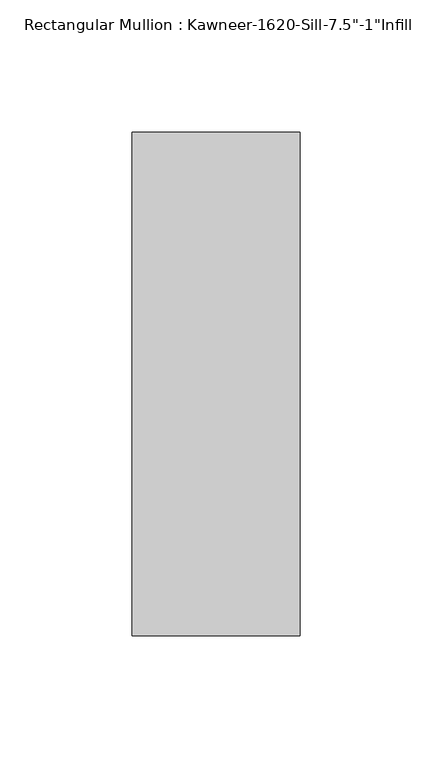
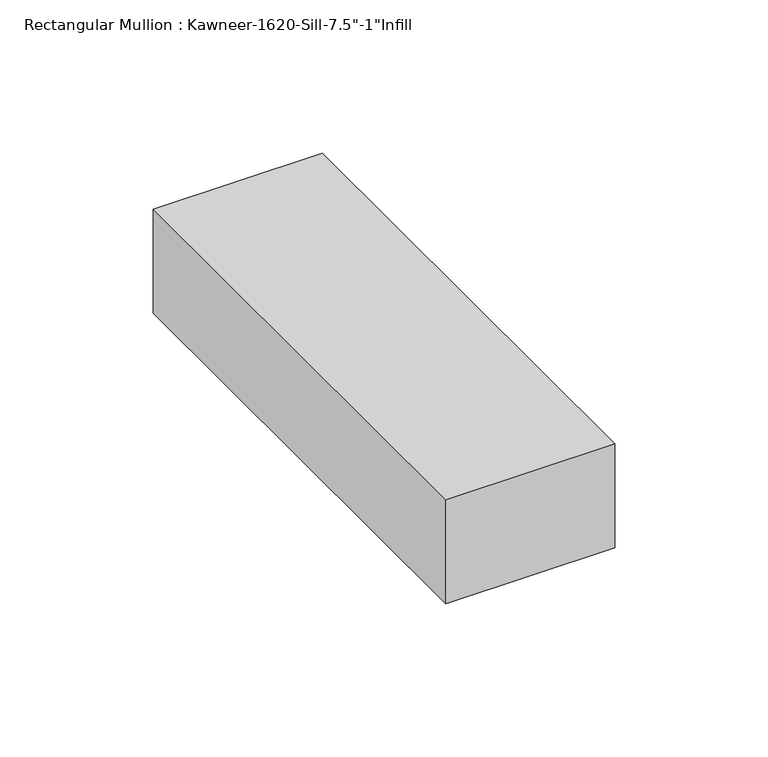
"""IFC4 building model written with IfcOpenShell, lengths in millimetres: member geometry."""

from ifc_helpers import new_model, si_unit, frame, origin, place, context, project, spatial, polyline, outline, extrude, source, transform, mapped, element, save


def member_ecea11a0(model_context):
    return source(origin(), model_context, "Body", "SweptSolid", [
        extrude(outline(polyline([(-63.5, -38.1), (-63.5, 152.4), (0.0, 152.4), (0.0, -38.1), (-63.5, -38.1)])), frame((0.0, 0.0, -41.275), z_axis=(0.0, 0.0, 1.0), x_axis=(1.0, 0.0, 0.0)), (0.0, 0.0, 1.0), 41.275),
    ])


if __name__ == "__main__":
    model = new_model("IFC4")
    model_context = context("Model", 3, world=origin())
    ifc_project = project(units=[si_unit("LENGTHUNIT", "METRE", prefix="MILLI")], contexts=[model_context])
    site = spatial("IfcSite", under=ifc_project)
    building = spatial("IfcBuilding", under=site)
    placement = place(None, origin())
    member_shape = member_ecea11a0(model_context)
    element("IfcMember", 1, ObjectType="Rectangular Mullion : Kawneer-1620-Sill-7.5\"-1\"Infill", at=placement, inside=building, context=model_context, shape_type="MappedRepresentation", body=[
        mapped(member_shape, transform((0.0, 0.0, 0.0), x_axis=(1.0, 0.0, 0.0), y_axis=(0.0, 1.0, 0.0), z_axis=(0.0, 0.0, 1.0))),
    ])
    save(model, "model.ifc")
